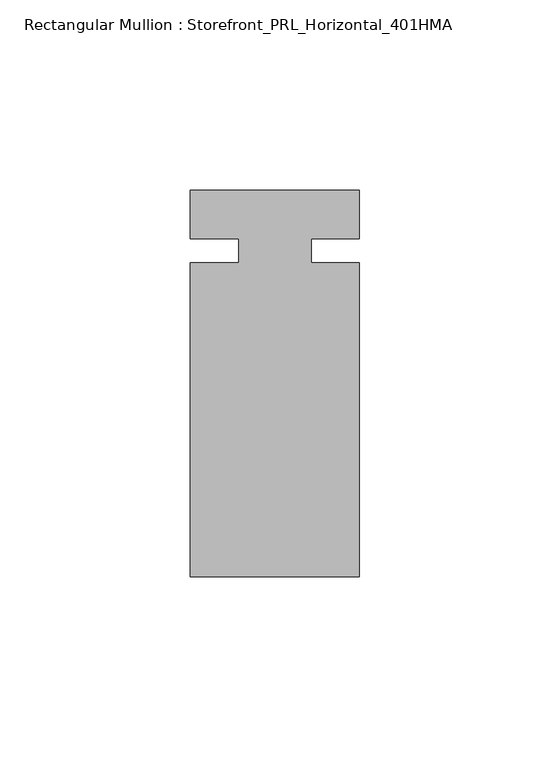
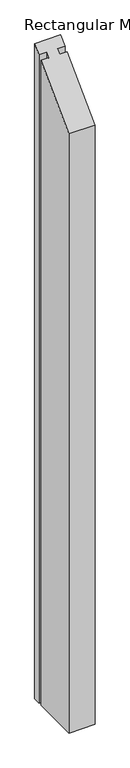
"""IFC4 building model written with IfcOpenShell, lengths in millimetres: member geometry, Rectangular Mullion : Storefront_PRL_Horizontal_401HMA."""

from ifc_helpers import new_model, si_unit, origin, place, context, project, spatial, faceted_brep, source, transform, mapped, element, save


def rectangular_mullion_storefront_prl_horizontal_401hma_4ffa2deb(model_context):
    return source(origin(), model_context, "Body", "Brep", [
        faceted_brep([(-9.525, -3.175, -1168.4), (-9.525, 3.175, -1168.4), (-22.225, 3.175, -1168.4), (-22.225, 15.875, -1168.4), (22.225, 15.875, -1168.4), (22.225, 3.175, -1168.4), (9.525, 3.175, -1168.4), (9.525, -3.175, -1168.4), (22.225, -3.175, -1168.4), (22.225, -85.725, -1168.4), (-22.225, -85.725, -1168.4), (-22.225, -3.175, -1168.4), (-22.225, -3.175, -3.175), (-9.525, -3.175, -3.175), (-22.225, -85.725, -85.725), (22.225, -85.725, -85.725), (22.225, -3.175, -3.175), (9.525, -3.175, -3.175), (9.525, 3.175, 3.175), (22.225, 3.175, 3.175), (22.225, 15.875, 15.875), (-22.225, 15.875, 15.875), (-22.225, 3.175, 3.175), (-9.525, 3.175, 3.175)], [[[0, 1, 2, 3, 4, 5, 6, 7, 8, 9, 10, 11]], [[12, 13, 0, 11]], [[14, 12, 11, 10]], [[15, 14, 10, 9]], [[16, 15, 9, 8]], [[17, 16, 8, 7]], [[18, 17, 7, 6]], [[19, 18, 6, 5]], [[20, 19, 5, 4]], [[21, 20, 4, 3]], [[22, 21, 3, 2]], [[23, 22, 2, 1]], [[13, 23, 1, 0]], [[13, 12, 14, 15, 16, 17, 18, 19, 20, 21, 22, 23]]]),
    ])


if __name__ == "__main__":
    model = new_model("IFC4")
    model_context = context("Model", 3, world=origin())
    ifc_project = project(units=[si_unit("LENGTHUNIT", "METRE", prefix="MILLI")], contexts=[model_context])
    site = spatial("IfcSite", under=ifc_project)
    building = spatial("IfcBuilding", under=site)
    placement = place(None, origin())
    rectangular_mullion_storefront_prl_horizontal_401hma_shape = rectangular_mullion_storefront_prl_horizontal_401hma_4ffa2deb(model_context)
    element("IfcMember", 1, ObjectType="Rectangular Mullion : Storefront_PRL_Horizontal_401HMA", at=placement, inside=building, context=model_context, shape_type="MappedRepresentation", body=[
        mapped(rectangular_mullion_storefront_prl_horizontal_401hma_shape, transform((0.0, 0.0, 0.0), x_axis=(1.0, 0.0, 0.0), y_axis=(0.0, 1.0, 0.0), z_axis=(0.0, 0.0, 1.0))),
    ])
    save(model, "model.ifc")
